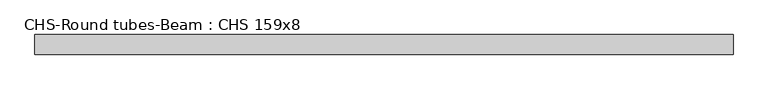
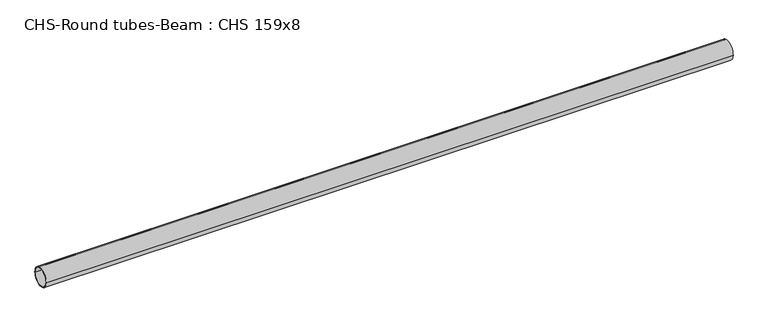
"""IFC4 building model written with IfcOpenShell, lengths in millimetres: beam geometry, CHS-Round tubes-Beam : CHS 159x8."""

from ifc_helpers import new_model, si_unit, point, frame, origin, origin_2d, place, context, project, spatial, circle_curve, trimmed, segment, composite_curve, outline, extrude, source, transform, mapped, element, save


def chs_round_tubes_beam_chs_159x8_edd222d9(model_context):
    return source(origin(), model_context, "Body", "SweptSolid", [
        extrude(outline(composite_curve([segment(trimmed(circle_curve(origin_2d(), 79.5), [point((79.5, 0.0))], [point((-79.5, 0.0))], False, "CARTESIAN"), True, "CONTINUOUS"), segment(trimmed(circle_curve(origin_2d(), 79.5), [point((-79.5, 0.0))], [point((79.5, 0.0))], False, "CARTESIAN"), True, "CONTINUOUS")], self_intersect=False), holes=[composite_curve([segment(trimmed(circle_curve(origin_2d(), 71.5), [point((71.5, 0.0))], [point((-71.5, 0.0))], True, "CARTESIAN"), True, "CONTINUOUS"), segment(trimmed(circle_curve(origin_2d(), 71.5), [point((-71.5, 0.0))], [point((71.5, 0.0))], True, "CARTESIAN"), True, "CONTINUOUS")], self_intersect=False)]), frame((-2829.0311074, 0.0, 0.0), z_axis=(1.0, 0.0, 0.0), x_axis=(0.0, 1.0, 0.0)), (0.0, 0.0, 1.0), 5652.1825046),
    ])


if __name__ == "__main__":
    model = new_model("IFC4")
    model_context = context("Model", 3, world=origin())
    ifc_project = project(units=[si_unit("LENGTHUNIT", "METRE", prefix="MILLI")], contexts=[model_context])
    site = spatial("IfcSite", under=ifc_project)
    building = spatial("IfcBuilding", under=site)
    placement = place(None, origin())
    chs_round_tubes_beam_chs_159x8_shape = chs_round_tubes_beam_chs_159x8_edd222d9(model_context)
    element("IfcBeam", 1, ObjectType="CHS-Round tubes-Beam : CHS 159x8", at=placement, inside=building, context=model_context, shape_type="MappedRepresentation", body=[
        mapped(chs_round_tubes_beam_chs_159x8_shape, transform((0.0, 0.0, 0.0), x_axis=(1.0, 0.0, 0.0), y_axis=(0.0, 1.0, 0.0), z_axis=(0.0, 0.0, 1.0))),
    ])
    save(model, "model.ifc")
